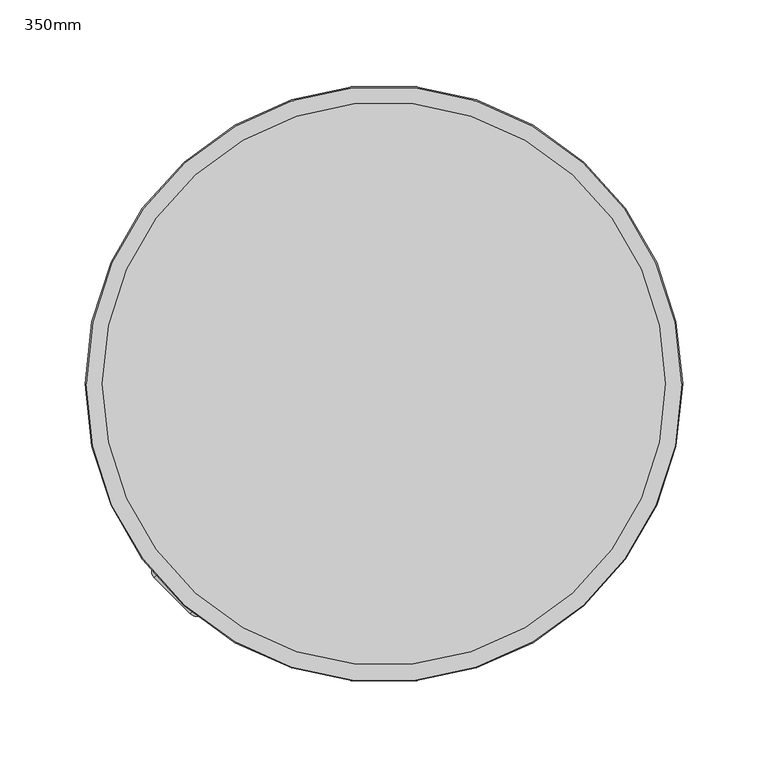
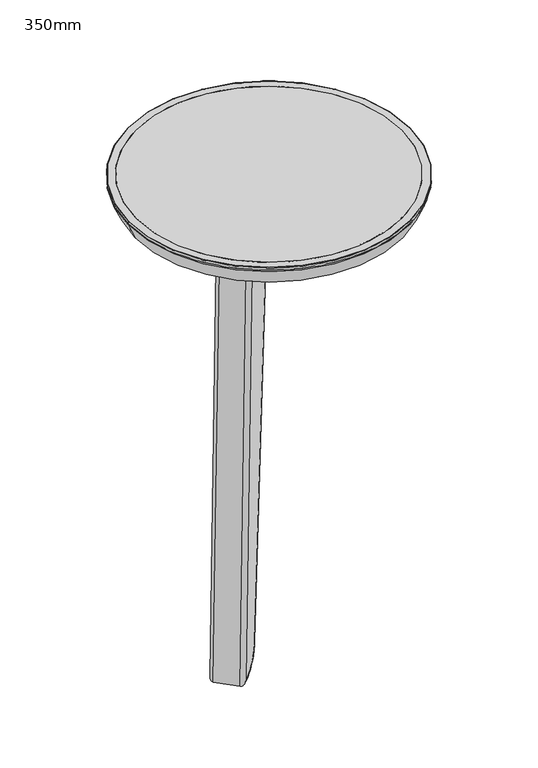
"""IFC4 building model written with IfcOpenShell, lengths in millimetres: furniture geometry, 350mm."""

from ifc_helpers import new_model, si_unit, point, frame, origin, origin_2d, place, context, project, spatial, polyline, circle_curve, ellipse_curve, trimmed, segment, composite_curve, outline, extrude, source, transform, mapped, element, save
from ifc_brep_helpers import plane_surface, cylinder_surface, revolved_surface, advanced_brep


def furniture_350mm_17f5339d(model_context):
    return source(origin(), model_context, "Body", "SolidModel", [
        advanced_brep(
        [(-113.4241876, -134.637391, 0.0), (-106.1780398, -134.462311, 5.0), (-88.3992865, -116.6835577, 525.0), (-95.4744847, -116.6876882, 525.0), (-134.637391, -113.4241876, 0.0), (-116.6876882, -95.4744847, 525.0), (-134.462311, -106.1780398, 5.0), (-116.6835577, -88.3992865, 525.0), (-105.4357149, -126.6489183, 0.0), (-101.900181, -130.1844522, 5.0), (-126.6489183, -105.4357149, 0.0), (-130.1844522, -101.900181, 5.0), (-80.7496123, -101.9628157, 32.5114904), (-80.7406645, -109.0249357, 32.8669918), (-101.9628157, -80.7496123, 32.5114904), (-109.0249357, -80.7406645, 32.8669918), (-50.7323466, -71.9455501, 463.0819947), (-50.715289, -78.9995602, 463.5725552), (-71.9455501, -50.7323466, 463.0819947), (-78.9995602, -50.715289, 463.5725552), (-39.1374255, -60.3506289, 484.9318625), (-36.8111154, -65.0953866, 489.6303256), (-60.3506289, -39.1374255, 484.9318625), (-65.0953866, -36.8111154, 489.6303256), (-39.0050506, -60.2182541, 485.0), (-35.4695167, -63.753788, 490.3208889), (-60.2182541, -39.0050506, 485.0), (-63.753788, -35.4695167, 490.3208889), (-35.4695167, -63.753788, 525.0), (-63.753788, -35.4695167, 525.0)],
        [
            (0, 1, ellipse_curve(frame((-109.7135737, -130.9267771, 5.0), z_axis=(-0.48777673870238025, -0.4877767387031333, 0.7239804599303804), x_axis=(0.5119314926629328, 0.5119314926637225, 0.689820479283556)), 7.2482626, 5.0)),
            (1, 2),
            (2, 3, ellipse_curve(frame((-91.9348204, -113.1480238, 525.0), z_axis=(0.0, 0.0, -1.0), x_axis=(0.707106781186006, 0.7071067811870888, 0.0)), 5.0058413, 5.0)),
            (3, 0),
            (4, 0),
            (3, 5),
            (5, 4),
            (6, 4, ellipse_curve(frame((-130.9267771, -109.7135737, 5.0), z_axis=(-0.48777673870238025, -0.4877767387031333, 0.7239804599303804), x_axis=(0.5119314926629328, 0.5119314926637225, 0.689820479283556)), 7.2482626, 5.0)),
            (5, 7, ellipse_curve(frame((-113.1480238, -91.9348204, 525.0), z_axis=(0.0, 0.0, -1.0), x_axis=(0.707106781186006, 0.7071067811870888, 0.0)), 5.0058413, 5.0)),
            (7, 6),
            (0, 8),
            (8, 9, circle_curve(frame((-105.4357149, -126.6489183, 5.0), z_axis=(-0.7071067811860019, -0.7071067811870931, 3.904270412386009e-12), x_axis=(2.760874862062224e-12, 2.7605973063060678e-12, 1.0)), 5.0)),
            (9, 1),
            (4, 10),
            (10, 8),
            (6, 11),
            (11, 10, circle_curve(frame((-126.6489183, -105.4357149, 5.0), z_axis=(-0.7071067811860019, -0.7071067811870931, 3.904270412386009e-12), x_axis=(2.760874862062224e-12, 2.7605973063060678e-12, 1.0)), 5.0)),
            (8, 12, circle_curve(frame((-105.4357149, -126.6489183, 35.0), z_axis=(0.7071067811870932, -0.7071067811860019, 0.0), x_axis=(0.0, 0.0, -1.0)), 35.0)),
            (12, 13, circle_curve(frame((-84.2761984, -105.4894018, 32.8669918), z_axis=(-0.05027548557600055, -0.05027548557607861, -0.9974691730074603), x_axis=(-0.7053172162575684, -0.7053172162586572, 0.07110027355652808)), 5.0)),
            (13, 9, circle_curve(frame((-101.900181, -130.1844522, 35.0), z_axis=(-0.7071067811870932, 0.7071067811860019, 0.0), x_axis=(0.0, 0.0, -1.0)), 30.0)),
            (10, 14, circle_curve(frame((-126.6489183, -105.4357149, 35.0), z_axis=(0.7071067811870932, -0.7071067811860019, 0.0), x_axis=(0.0, 0.0, -1.0)), 35.0)),
            (14, 12),
            (11, 15, circle_curve(frame((-130.1844522, -101.900181, 35.0), z_axis=(0.7071067811870932, -0.7071067811860019, 0.0), x_axis=(0.0, 0.0, -1.0)), 30.0)),
            (15, 14, circle_curve(frame((-105.4894018, -84.2761984, 32.8669918), z_axis=(-0.050275485575999916, -0.050275485576077986, -0.9974691730074604), x_axis=(-0.7053172162575685, -0.7053172162586573, 0.07110027355652719)), 5.0)),
            (12, 16),
            (16, 17, circle_curve(frame((-54.2508229, -75.4640263, 463.5725552), z_axis=(-0.06937573293125533, -0.06937573293136289, -0.9951753691488185), x_axis=(-0.7036952519944123, -0.7036952519954984, 0.0981121024110311)), 5.0)),
            (17, 13),
            (14, 18),
            (18, 16),
            (15, 19),
            (19, 18, circle_curve(frame((-75.4640263, -54.2508229, 463.5725552), z_axis=(-0.06937573293125533, -0.06937573293136289, -0.9951753691488185), x_axis=(-0.7036952519944123, -0.7036952519954984, 0.0981121024110311)), 5.0)),
            (16, 20, circle_curve(frame((-33.0913064, -54.3045098, 461.439547), z_axis=(-0.7071067811870932, 0.7071067811860019, 0.0), x_axis=(-0.7053172162590151, -0.7053172162601037, 0.07110027352782822)), 25.0)),
            (20, 21, circle_curve(frame((-40.3466493, -61.5598527, 489.6303256), z_axis=(-0.6644630243879455, -0.6644630243889714, -0.34202014332650943), x_axis=(-0.24184476264838317, -0.24184476264875626, 0.9396926207856026)), 5.0)),
            (21, 17, circle_curve(frame((-29.5557725, -57.8400437, 461.439547), z_axis=(0.7071067811870932, -0.7071067811860019, 0.0), x_axis=(-0.7053172162590151, -0.7053172162601037, 0.07110027352782822)), 30.0)),
            (18, 22, circle_curve(frame((-54.3045098, -33.0913064, 461.439547), z_axis=(-0.7071067811870932, 0.7071067811860019, 0.0), x_axis=(-0.7053172162590151, -0.7053172162601037, 0.07110027352782822)), 25.0)),
            (22, 20),
            (19, 23, circle_curve(frame((-57.8400437, -29.5557725, 461.439547), z_axis=(-0.7071067811870932, 0.7071067811860019, 0.0), x_axis=(-0.7053172162590151, -0.7053172162601037, 0.07110027352782822)), 30.0)),
            (23, 22, circle_curve(frame((-61.5598527, -40.3466493, 489.6303256), z_axis=(-0.664463024387945, -0.664463024388971, -0.3420201433265111), x_axis=(-0.2418447626483844, -0.24184476264875743, 0.9396926207856019)), 5.0)),
            (20, 24),
            (24, 25, ellipse_curve(frame((-39.0050506, -60.2182541, 490.3208889), z_axis=(-0.7071067811860019, -0.7071067811870932, 0.0), x_axis=(0.0, 0.0, -1.0)), 5.3208889, 5.0)),
            (25, 21),
            (22, 26),
            (26, 24),
            (23, 27),
            (27, 26, ellipse_curve(frame((-60.2182541, -39.0050506, 490.3208889), z_axis=(-0.7071067811860019, -0.7071067811870932, 0.0), x_axis=(0.0, 0.0, -1.0)), 5.3208889, 5.0)),
            (28, 2),
            (25, 28),
            (29, 27),
            (7, 29),
            (28, 29),
        ],
        [
            cylinder_surface(frame((-91.9348204, -113.1480238, 525.0), z_axis=(0.03415001383315274, 0.03415001383320503, 0.9988330957223972), x_axis=(0.7062816552583143, 0.7062816552594037, -0.04829541271811039)), 5.0),
            plane_surface(frame((-116.6794321, -95.4662287, 525.2414771), z_axis=(-0.7062816552583141, -0.7062816552594039, 0.04829541271811032), x_axis=(-0.034150013833152484, -0.034150013833205185, -0.9988330957223972))),
            cylinder_surface(frame((-113.1480238, -91.9348204, 525.0), z_axis=(0.03415001383315274, 0.03415001383320503, 0.9988330957223972), x_axis=(0.7062816552583143, 0.7062816552594037, -0.04829541271811039)), 5.0),
            cylinder_surface(frame((-109.7135737, -130.9267771, 5.0), z_axis=(-0.7071067811860019, -0.7071067811870931, 3.904270412386009e-12), x_axis=(2.760874862062224e-12, 2.7605973063060678e-12, 1.0)), 5.0),
            plane_surface(frame((-134.637391, -113.4241876, 0.0), z_axis=(-2.7603371603877934e-12, -2.7606966758417668e-12, -1.0), x_axis=(0.7071067811860023, 0.7071067811870927, -3.9039604647583005e-12))),
            cylinder_surface(frame((-130.9267771, -109.7135737, 5.0), z_axis=(-0.7071067811860019, -0.7071067811870931, 3.904270412386009e-12), x_axis=(2.760874862062224e-12, 2.7605973063060678e-12, 1.0)), 5.0),
            revolved_surface(trimmed(ellipse_curve(frame((-105.4357149, -126.6489183, 5.0), z_axis=(-0.7071067811860017, -0.7071067811870935, 0.0), x_axis=(0.0, 0.0, 1.0)), 5.0, 5.0), [point((-105.4357149, -126.6489183, 0.0))], [point((-101.900181, -130.1844522, 5.0))], True, "CARTESIAN"), (-116.0423166, -116.0423166, 35.0), (0.7071067811870932, -0.7071067811860019, 0.0)),
            cylinder_surface(frame((-116.0423166, -116.0423166, 35.0), z_axis=(0.7071067811870932, -0.7071067811860019, 0.0), x_axis=(0.0, 0.0, -1.0)), 35.0),
            revolved_surface(trimmed(ellipse_curve(frame((-126.6489183, -105.4357149, 5.0), z_axis=(-0.7071067811860017, -0.7071067811870935, 0.0), x_axis=(0.0, 0.0, 1.0)), 5.0, 5.0), [point((-130.1844522, -101.900181, 5.0))], [point((-126.6489183, -105.4357149, 0.0))], True, "CARTESIAN"), (-116.0423166, -116.0423166, 35.0), (0.7071067811870932, -0.7071067811860019, 0.0)),
            cylinder_surface(frame((-84.2761984, -105.4894018, 32.8669918), z_axis=(-0.06937573293125535, -0.0693757329313629, -0.9951753691488188), x_axis=(-0.7036952519944123, -0.7036952519954984, 0.0981121024110311)), 5.0),
            plane_surface(frame((-101.9615194, -80.748316, 32.5113597), z_axis=(0.7036952519944124, 0.7036952519954982, -0.09811210241103105), x_axis=(0.06937573293125553, 0.06937573293136264, 0.9951753691488185))),
            cylinder_surface(frame((-105.4894018, -84.2761984, 32.8669918), z_axis=(-0.06937573293125535, -0.0693757329313629, -0.9951753691488188), x_axis=(-0.7036952519944123, -0.7036952519954984, 0.0981121024110311)), 5.0),
            revolved_surface(trimmed(ellipse_curve(frame((-54.2508229, -75.4640263, 463.5725552), z_axis=(-0.050275485555706684, -0.050275485555784746, -0.9974691730095062), x_axis=(-0.7053172162590152, -0.7053172162601036, 0.07110027352782823)), 5.0, 5.0), [point((-50.7242368, -71.9374402, 463.2170538))], [point((-50.715289, -78.9995602, 463.5725552))], True, "CARTESIAN"), (-43.6979081, -43.6979081, 461.439547), (-0.7071067811870932, 0.7071067811860019, 0.0)),
            revolved_surface(polyline([(-71.93744025649718, -50.72423675649715, 463.21705383819574), (-50.7242367564808, -71.9374402564808, 463.21705383819574)]), (-43.6979081, -43.6979081, 461.439547), (-0.7071067811870932, 0.7071067811860019, 0.0)),
            revolved_surface(trimmed(ellipse_curve(frame((-75.4640263, -54.2508229, 463.5725552), z_axis=(-0.050275485555706684, -0.050275485555784746, -0.9974691730095062), x_axis=(-0.7053172162590152, -0.7053172162601036, 0.07110027352782823)), 5.0, 5.0), [point((-78.9995602, -50.715289, 463.5725552))], [point((-71.9374402, -50.7242368, 463.2170538))], True, "CARTESIAN"), (-43.6979081, -43.6979081, 461.439547), (-0.7071067811870932, 0.7071067811860019, 0.0)),
            cylinder_surface(frame((-40.3466493, -61.5598527, 489.6303256), z_axis=(-0.664463024386498, -0.6644630243875289, -0.3420201433321238), x_axis=(-0.24184476265235305, -0.24184476265272636, 0.939692620783559)), 5.0),
            plane_surface(frame((-60.3506289, -39.1374255, 484.9318625), z_axis=(0.24184476265236526, 0.2418447626527381, -0.9396926207835529), x_axis=(0.6644630243864937, 0.6644630243875245, 0.34202014333214076))),
            cylinder_surface(frame((-61.5598527, -40.3466493, 489.6303256), z_axis=(-0.664463024386498, -0.6644630243875289, -0.3420201433321238), x_axis=(-0.24184476265235305, -0.24184476265272636, 0.939692620783559)), 5.0),
            plane_surface(frame((-88.3992865, -116.6835577, 525.0), z_axis=(0.7071067811870932, -0.7071067811860019, 0.0), x_axis=(-0.7071067811860019, -0.7071067811870932, 0.0))),
            plane_surface(frame((-116.6835577, -88.3992865, 525.0), z_axis=(-0.7071067811870932, 0.7071067811860019, 0.0), x_axis=(0.7071067811860019, 0.7071067811870932, 0.0))),
            plane_surface(frame((-92.6419272, -120.9261984, 525.0), z_axis=(0.0, 0.0, 1.0), x_axis=(-0.7071067811870932, 0.7071067811860019, 0.0))),
            plane_surface(frame((-35.4695167, -63.753788, 525.0), z_axis=(0.7071067811860019, 0.7071067811870932, 0.0), x_axis=(-0.7071067811870932, 0.7071067811860019, 0.0))),
        ],
        [
            (0, [[1, 2, 3, 4]]),
            (1, [[5, -4, 6, 7]]),
            (2, [[8, -7, 9, 10]]),
            (3, [[-1, 11, 12, 13]]),
            (4, [[-5, 14, 15, -11]]),
            (5, [[-8, 16, 17, -14]]),
            (6, [[-12, 18, 19, 20]]),
            (7, [[-15, 21, 22, -18]]),
            (8, [[-17, 23, 24, -21]]),
            (9, [[-19, 25, 26, 27]]),
            (10, [[-22, 28, 29, -25]]),
            (11, [[-24, 30, 31, -28]]),
            (12, [[-26, 32, 33, 34]]),
            (13, [[-29, 35, 36, -32]]),
            (14, [[-31, 37, 38, -35]]),
            (15, [[-33, 39, 40, 41]]),
            (16, [[-36, 42, 43, -39]]),
            (17, [[-38, 44, 45, -42]]),
            (18, [[46, -2, -13, -20, -27, -34, -41, 47]]),
            (19, [[48, -44, -37, -30, -23, -16, -10, 49]]),
            (20, [[-3, -46, 50, -49, -9, -6]]),
            (21, [[-40, -43, -45, -48, -50, -47]]),
        ],
    ),
        extrude(outline(composite_curve([segment(trimmed(circle_curve(origin_2d(), 165.0), [point((165.0, 0.0))], [point((-165.0, 0.0))], False, "CARTESIAN"), True, "CONTINUOUS"), segment(trimmed(circle_curve(origin_2d(), 165.0), [point((-165.0, 0.0))], [point((165.0, 0.0))], False, "CARTESIAN"), True, "CONTINUOUS")], self_intersect=False)), frame((0.0, 0.0, 525.0), z_axis=(0.0, 0.0, 1.0), x_axis=(1.0, 0.0, 0.0)), (0.0, 0.0, 1.0), 25.0),
        advanced_brep(
        [(-165.0, 0.0, 525.0), (165.0, 0.0, 525.0), (165.0, 0.0, 550.0), (-165.0, 0.0, 550.0), (-174.7005175, 0.0, 544.6740876), (174.7005175, 0.0, 544.6740876), (166.1666667, 0.0, 525.0), (-166.1666667, 0.0, 525.0), (-175.0, 0.0, 546.3785334), (175.0, 0.0, 546.3785334), (-175.0, 0.0, 549.5), (175.0, 0.0, 549.5), (-174.5, 0.0, 550.0), (174.5, 0.0, 550.0)],
        [
            (0, 1, circle_curve(frame((0.0, 0.0, 525.0), z_axis=(0.0, 0.0, -1.0), x_axis=(1.0, 0.0, 0.0)), 165.0)),
            (1, 2),
            (2, 3, circle_curve(frame((0.0, 0.0, 550.0), z_axis=(0.0, 0.0, 1.0), x_axis=(1.0, 0.0, 0.0)), 165.0)),
            (3, 0),
            (4, 5, circle_curve(frame((0.0, 0.0, 544.6740876), z_axis=(0.0, 0.0, -1.0), x_axis=(1.0, 0.0, 0.0)), 174.7005175)),
            (5, 6),
            (6, 7, circle_curve(frame((0.0, 0.0, 525.0), z_axis=(0.0, 0.0, 1.0), x_axis=(1.0, 0.0, 0.0)), 166.1666667)),
            (7, 4),
            (8, 9, circle_curve(frame((0.0, 0.0, 546.3785334), z_axis=(0.0, 0.0, -1.0), x_axis=(1.0, 0.0, 0.0)), 175.0)),
            (9, 5, circle_curve(frame((170.0, 0.0, 546.3785334), z_axis=(0.0, 1.0, 0.0), x_axis=(-1.0, 0.0, 0.0)), 5.0)),
            (4, 8, circle_curve(frame((-170.0, 0.0, 546.3785334), z_axis=(0.0, 1.0, 0.0), x_axis=(1.0, 0.0, 0.0)), 5.0)),
            (10, 11, circle_curve(frame((0.0, 0.0, 549.5), z_axis=(0.0, 0.0, -1.0), x_axis=(1.0, 0.0, 0.0)), 175.0)),
            (11, 9),
            (8, 10),
            (12, 13, circle_curve(frame((0.0, 0.0, 550.0), z_axis=(0.0, 0.0, -1.0), x_axis=(1.0, 0.0, 0.0)), 174.5)),
            (13, 11, circle_curve(frame((174.5, 0.0, 549.5), z_axis=(0.0, 1.0, 0.0), x_axis=(-1.0, 0.0, 0.0)), 0.5)),
            (10, 12, circle_curve(frame((-174.5, 0.0, 549.5), z_axis=(0.0, 1.0, 0.0), x_axis=(1.0, 0.0, 0.0)), 0.5)),
            (12, 13, circle_curve(frame((0.0, 0.0, 550.0), z_axis=(0.0, 0.0, 1.0), x_axis=(-1.0, 0.0, 0.0)), 174.5)),
            (2, 3, circle_curve(frame((0.0, 0.0, 550.0), z_axis=(0.0, 0.0, -1.0), x_axis=(-1.0, 0.0, 0.0)), 165.0)),
            (1, 0, circle_curve(frame((0.0, 0.0, 525.0), z_axis=(0.0, 0.0, -1.0), x_axis=(-1.0, 0.0, 0.0)), 165.0)),
            (6, 7, circle_curve(frame((0.0, 0.0, 525.0), z_axis=(0.0, 0.0, -1.0), x_axis=(-1.0, 0.0, 0.0)), 166.1666667)),
            (5, 4, circle_curve(frame((0.0, 0.0, 544.6740876), z_axis=(0.0, 0.0, -1.0), x_axis=(-1.0, 0.0, 0.0)), 174.7005175)),
            (9, 8, circle_curve(frame((0.0, 0.0, 546.3785334), z_axis=(0.0, 0.0, -1.0), x_axis=(-1.0, 0.0, 0.0)), 175.0)),
            (11, 10, circle_curve(frame((0.0, 0.0, 549.5), z_axis=(0.0, 0.0, -1.0), x_axis=(-1.0, 0.0, 0.0)), 175.0)),
        ],
        [
            revolved_surface(polyline([(165.0, 0.0, 550.0), (165.0, 0.0, 525.0)]), (0.0, 0.0, 525.0), (0.0, 0.0, 1.0)),
            revolved_surface(polyline([(166.1666667, 0.0, 525.0), (174.7005175, 0.0, 544.6740876)]), (0.0, 0.0, 525.0), (0.0, 0.0, 1.0)),
            revolved_surface(trimmed(ellipse_curve(frame((170.0, 0.0, 546.3785334), z_axis=(0.0, -1.0, 0.0), x_axis=(-1.0, 0.0, 0.0)), 5.0, 5.0), [point((174.7005175, 0.0, 544.6740876))], [point((175.0, 0.0, 546.3785334))], True, "CARTESIAN"), (0.0, 0.0, 525.0), (0.0, 0.0, 1.0)),
            cylinder_surface(frame((0.0, 0.0, 525.0), z_axis=(0.0, 0.0, 1.0), x_axis=(1.0, 0.0, 0.0)), 175.0),
            revolved_surface(trimmed(ellipse_curve(frame((174.5, 0.0, 549.5), z_axis=(0.0, -1.0, 0.0), x_axis=(-1.0, 0.0, 0.0)), 0.5, 0.5), [point((175.0, 0.0, 549.5))], [point((174.5, 0.0, 550.0))], True, "CARTESIAN"), (0.0, 0.0, 525.0), (0.0, 0.0, 1.0)),
            plane_surface(frame((0.0, 0.0, 550.0), z_axis=(0.0, 0.0, 1.0), x_axis=(-1.0, 0.0, 0.0))),
            revolved_surface(polyline([(-165.0, 0.0, 550.0), (-165.0, 0.0, 525.0)]), (0.0, 0.0, 525.0), (0.0, 0.0, 1.0)),
            plane_surface(frame((0.0, 0.0, 525.0), z_axis=(0.0, 0.0, -1.0), x_axis=(-1.0, 0.0, 0.0))),
            revolved_surface(polyline([(-166.1666667, 0.0, 525.0), (-174.7005175, 0.0, 544.6740876)]), (0.0, 0.0, 525.0), (0.0, 0.0, 1.0)),
            revolved_surface(trimmed(ellipse_curve(frame((-170.0, 0.0, 546.3785334), z_axis=(0.0, 1.0, 0.0), x_axis=(1.0, 0.0, 0.0)), 5.0, 5.0), [point((-174.7005175, 0.0, 544.6740876))], [point((-175.0, 0.0, 546.3785334))], True, "CARTESIAN"), (0.0, 0.0, 525.0), (0.0, 0.0, 1.0)),
            cylinder_surface(frame((0.0, 0.0, 525.0), z_axis=(0.0, 0.0, 1.0), x_axis=(-1.0, 0.0, 0.0)), 175.0),
            revolved_surface(trimmed(ellipse_curve(frame((-174.5, 0.0, 549.5), z_axis=(0.0, 1.0, 0.0), x_axis=(1.0, 0.0, 0.0)), 0.5, 0.5), [point((-175.0, 0.0, 549.5))], [point((-174.5, 0.0, 550.0))], True, "CARTESIAN"), (0.0, 0.0, 525.0), (0.0, 0.0, 1.0)),
        ],
        [
            (0, [[1, 2, 3, 4]]),
            (1, [[5, 6, 7, 8]]),
            (2, [[9, 10, -5, 11]]),
            (3, [[12, 13, -9, 14]]),
            (4, [[15, 16, -12, 17]]),
            (5, [[18, -15], [19, -3]]),
            (6, [[20, -4, -19, -2]]),
            (7, [[21, -7], [-20, -1]]),
            (8, [[22, -8, -21, -6]]),
            (9, [[23, -11, -22, -10]]),
            (10, [[24, -14, -23, -13]]),
            (11, [[-18, -17, -24, -16]]),
        ],
    ),
    ])


if __name__ == "__main__":
    model = new_model("IFC4")
    model_context = context("Model", 3, world=origin())
    ifc_project = project(units=[si_unit("LENGTHUNIT", "METRE", prefix="MILLI")], contexts=[model_context])
    site = spatial("IfcSite", under=ifc_project)
    building = spatial("IfcBuilding", under=site)
    placement = place(None, origin())
    furniture_350mm_shape = furniture_350mm_17f5339d(model_context)
    element("IfcFurniture", 1, ObjectType="350mm", at=placement, inside=building, context=model_context, shape_type="MappedRepresentation", body=[
        mapped(furniture_350mm_shape, transform((0.0, 0.0, 0.0), x_axis=(1.0, 0.0, 0.0), y_axis=(0.0, 1.0, 0.0), z_axis=(0.0, 0.0, 1.0))),
    ])
    save(model, "model.ifc")
